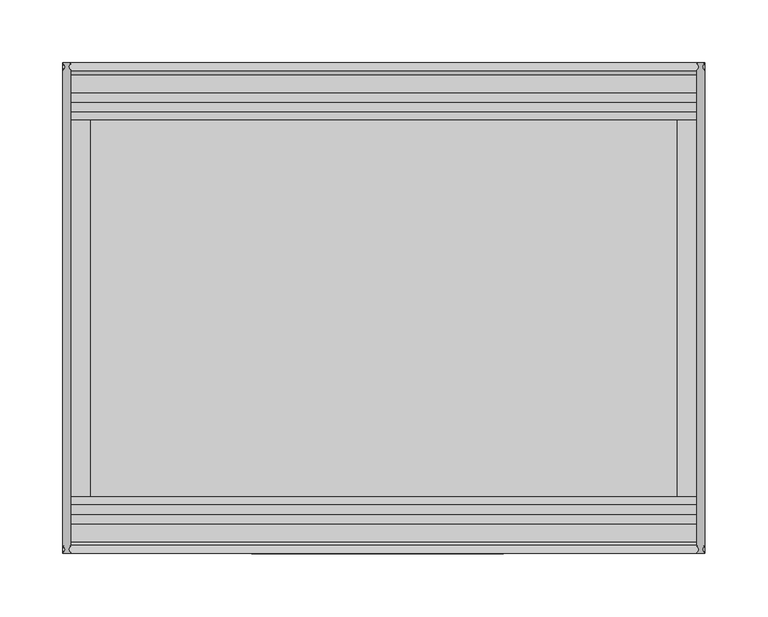
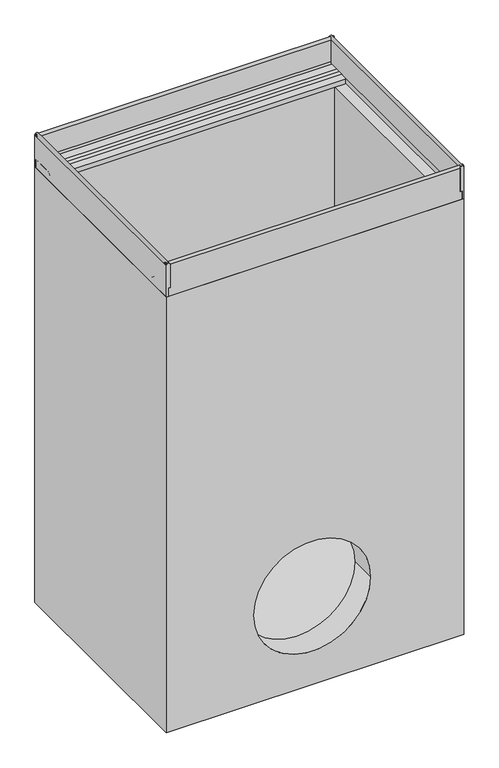
"""IFC4 building model written with IfcOpenShell, lengths in millimetres: proxy geometry."""

from ifc_helpers import new_model, si_unit, point, frame, frame_2d, origin, place, context, project, spatial, polyline, circle_curve, trimmed, segment, composite_curve, outline, extrude, source, transform, mapped, element, save
from ifc_brep_helpers import plane_surface, cylinder_surface, revolved_surface, advanced_brep


def generic_models_54b018aa(model_context):
    return source(origin(), model_context, "Body", "SolidModel", [
        extrude(outline(composite_curve([segment(trimmed(circle_curve(frame_2d((-3.1897376, 506.8102624)), 3.1897376), [point((-3.1897376, 510.0))], [point((-3.1897376, 503.6205248))], False, "CARTESIAN"), True, "CONTINUOUS"), segment(polyline([(-3.1897376, 503.6205248), (-45.4121775, 503.6205248), (-45.4121775, 506.9621547), (-60.0409124, 506.9621547), (-60.0409124, 510.0), (-3.1897376, 510.0)]), True, "CONTINUOUS")], self_intersect=False)), frame((0.0, -195.0, 0.0), z_axis=(0.0, 1.0, 0.0), x_axis=(0.0, 0.0, 1.0)), (0.0, 0.0, 1.0), 390.0),
        extrude(outline(composite_curve([segment(polyline([(-3.1897376, 0.0), (-60.0409124, 0.0), (-60.0409124, 3.0378453), (-45.4121775, 3.0378453), (-45.4121775, 6.3794752), (-3.1897376, 6.3794752)]), True, "CONTINUOUS"), segment(trimmed(circle_curve(frame_2d((-3.1897376, 3.1897376)), 3.1897376), [point((-3.1897376, 6.3794752))], [point((-3.1897376, 0.0))], False, "CARTESIAN"), True, "CONTINUOUS")], self_intersect=False)), frame((0.0, -195.0, 0.0), z_axis=(0.0, 1.0, 0.0), x_axis=(0.0, 0.0, 1.0)), (0.0, 0.0, 1.0), 390.0),
        advanced_brep(
        [(510.0, -195.0, -3.1897376), (510.0, -195.0, -60.0409124), (510.0, -191.9621547, -60.0409124), (510.0, -191.9621547, -45.4121775), (510.0, -190.5838153, -45.4121775), (510.0, -185.5826794, -48.0378453), (510.0, -156.0756907, -48.0378453), (510.0, -152.9900031, -51.1235329), (510.0, -152.9900031, -60.011934), (510.0, -150.0, -60.011934), (510.0, -150.0, -51.0756907), (510.0, -156.0756907, -45.0), (510.0, -163.8620852, -45.0), (510.0, -171.4566985, -45.0), (510.0, -185.5826794, -45.0), (510.0, -188.6205248, -41.9621547), (510.0, -188.6205248, -3.1897376), (0.0, -195.0, -3.1897376), (0.0, -188.6205248, -3.1897376), (0.0, -188.6205248, -41.9621547), (0.0, -185.5826794, -45.0), (0.0, -171.4566985, -45.0), (0.0, -163.8620852, -45.0), (0.0, -156.0756907, -45.0), (0.0, -150.0, -51.0756907), (0.0, -150.0, -60.011934), (0.0, -152.9900031, -60.011934), (0.0, -152.9900031, -51.1235329), (0.0, -156.0756907, -48.0378453), (0.0, -185.5826794, -48.0378453), (0.0, -190.5838153, -45.4121775), (0.0, -191.9621547, -45.4121775), (0.0, -191.9621547, -60.0409124), (0.0, -195.0, -60.0409124), (22.0, -150.0, -60.011934), (488.0, -150.0, -60.011934), (22.0, -150.0, -51.0756907), (488.0, -150.0, -51.0756907)],
        [
            (0, 1),
            (1, 2),
            (2, 3),
            (3, 4),
            (4, 5, circle_curve(frame((510.0, -185.5826794, -41.9621547), z_axis=(1.0, 0.0, 0.0), x_axis=(0.0, 1.0, 0.0)), 6.0756907)),
            (5, 6),
            (6, 7, circle_curve(frame((510.0, -156.0756907, -51.1235329), z_axis=(-1.0, 0.0, 0.0), x_axis=(0.0, 1.0, 0.0)), 3.0856876)),
            (7, 8),
            (8, 9),
            (9, 10),
            (10, 11, circle_curve(frame((510.0, -156.0756907, -51.0756907), z_axis=(1.0, 0.0, 0.0), x_axis=(0.0, 1.0, 0.0)), 6.0756907)),
            (11, 12),
            (12, 13),
            (13, 14),
            (14, 15, circle_curve(frame((510.0, -185.5826794, -41.9621547), z_axis=(-1.0, 0.0, 0.0), x_axis=(0.0, 1.0, 0.0)), 3.0378453)),
            (15, 16),
            (16, 0, circle_curve(frame((510.0, -191.8102624, -3.1897376), z_axis=(1.0, 0.0, 0.0), x_axis=(0.0, 1.0, 0.0)), 3.1897376)),
            (17, 18, circle_curve(frame((0.0, -191.8102624, -3.1897376), z_axis=(-1.0, 0.0, 0.0), x_axis=(0.0, 1.0, 0.0)), 3.1897376)),
            (18, 19),
            (19, 20, circle_curve(frame((0.0, -185.5826794, -41.9621547), z_axis=(1.0, 0.0, 0.0), x_axis=(0.0, 1.0, 0.0)), 3.0378453)),
            (20, 21),
            (21, 22),
            (22, 23),
            (23, 24, circle_curve(frame((0.0, -156.0756907, -51.0756907), z_axis=(-1.0, 0.0, 0.0), x_axis=(0.0, 1.0, 0.0)), 6.0756907)),
            (24, 25),
            (25, 26),
            (26, 27),
            (27, 28, circle_curve(frame((0.0, -156.0756907, -51.1235329), z_axis=(1.0, 0.0, 0.0), x_axis=(0.0, 1.0, 0.0)), 3.0856876)),
            (28, 29),
            (29, 30, circle_curve(frame((0.0, -185.5826794, -41.9621547), z_axis=(-1.0, 0.0, 0.0), x_axis=(0.0, 1.0, 0.0)), 6.0756907)),
            (30, 31),
            (31, 32),
            (32, 33),
            (33, 17),
            (0, 17),
            (33, 1),
            (32, 2),
            (31, 3),
            (30, 4),
            (29, 5),
            (28, 6),
            (27, 7),
            (26, 8),
            (25, 34),
            (34, 35),
            (35, 9),
            (24, 36),
            (36, 37),
            (37, 10),
            (23, 11),
            (22, 12),
            (21, 13),
            (20, 14),
            (19, 15),
            (18, 16),
        ],
        [
            plane_surface(frame((510.0, -195.0, -39.8640909), z_axis=(1.0, 0.0, 0.0), x_axis=(0.0, 0.0, -1.0))),
            plane_surface(frame((0.0, -195.0, -39.8640909), z_axis=(-1.0, 0.0, 0.0), x_axis=(0.0, 0.0, 1.0))),
            plane_surface(frame((510.0, -195.0, -3.1897376), z_axis=(0.0, -1.0, 0.0), x_axis=(-1.0, 0.0, 0.0))),
            plane_surface(frame((510.0, -195.0, -60.0409124), z_axis=(0.0, 0.0, -1.0), x_axis=(-1.0, 0.0, 0.0))),
            plane_surface(frame((510.0, -191.9621547, -60.0409124), z_axis=(0.0, 1.0, 0.0), x_axis=(-1.0, 0.0, 0.0))),
            plane_surface(frame((510.0, -191.9621547, -45.4121775), z_axis=(0.0, 0.0, -1.0), x_axis=(-1.0, 0.0, 0.0))),
            cylinder_surface(frame((0.0, -185.5826794, -41.9621547), z_axis=(1.0, 0.0, 0.0), x_axis=(0.0, 1.0, 0.0)), 6.0756907),
            plane_surface(frame((510.0, -185.5826794, -48.0378453), z_axis=(0.0, 0.0, -1.0), x_axis=(-1.0, 0.0, 0.0))),
            revolved_surface(polyline([(0.0, -152.9900031, -51.1235329), (510.0, -152.9900031, -51.1235329)]), (0.0, -156.0756907, -51.1235329), (-1.0, 0.0, 0.0)),
            plane_surface(frame((510.0, -152.9900031, -51.1235329), z_axis=(0.0, -1.0, 0.0), x_axis=(-1.0, 0.0, 0.0))),
            plane_surface(frame((510.0, -152.9900031, -60.011934), z_axis=(0.0, 0.0, -1.0), x_axis=(-1.0, 0.0, 0.0))),
            plane_surface(frame((510.0, -150.0, -60.011934), z_axis=(0.0, 1.0, 0.0), x_axis=(-1.0, 0.0, 0.0))),
            cylinder_surface(frame((0.0, -156.0756907, -51.0756907), z_axis=(1.0, 0.0, 0.0), x_axis=(0.0, 1.0, 0.0)), 6.0756907),
            plane_surface(frame((510.0, -156.0756907, -45.0), z_axis=(0.0, 0.0, 1.0), x_axis=(-1.0, 0.0, 0.0))),
            plane_surface(frame((510.0, -163.8620852, -45.0), z_axis=(0.0, 0.0, 1.0), x_axis=(-1.0, 0.0, 0.0))),
            plane_surface(frame((510.0, -171.4566985, -45.0), z_axis=(0.0, 0.0, 1.0), x_axis=(-1.0, 0.0, 0.0))),
            revolved_surface(polyline([(0.0, -182.5448341, -41.9621547), (510.0, -182.5448341, -41.9621547)]), (0.0, -185.5826794, -41.9621547), (-1.0, 0.0, 0.0)),
            plane_surface(frame((510.0, -188.6205248, -41.9621547), z_axis=(0.0, 1.0, 0.0), x_axis=(-1.0, 0.0, 0.0))),
            cylinder_surface(frame((0.0, -191.8102624, -3.1897376), z_axis=(1.0, 0.0, 0.0), x_axis=(0.0, 1.0, 0.0)), 3.1897376),
        ],
        [
            (0, [[1, 2, 3, 4, 5, 6, 7, 8, 9, 10, 11, 12, 13, 14, 15, 16, 17]]),
            (1, [[18, 19, 20, 21, 22, 23, 24, 25, 26, 27, 28, 29, 30, 31, 32, 33, 34]]),
            (2, [[-1, 35, -34, 36]]),
            (3, [[-2, -36, -33, 37]]),
            (4, [[-3, -37, -32, 38]]),
            (5, [[-4, -38, -31, 39]]),
            (6, [[-5, -39, -30, 40]]),
            (7, [[-6, -40, -29, 41]]),
            (8, [[-7, -41, -28, 42]]),
            (9, [[-8, -42, -27, 43]]),
            (10, [[-9, -43, -26, 44, 45, 46]]),
            (11, [[-10, -46, -45, -44, -25, 47, 48, 49]]),
            (12, [[-11, -49, -48, -47, -24, 50]]),
            (13, [[-12, -50, -23, 51]]),
            (14, [[-13, -51, -22, 52]]),
            (15, [[-14, -52, -21, 53]]),
            (16, [[-15, -53, -20, 54]]),
            (17, [[-16, -54, -19, 55]]),
            (18, [[-17, -55, -18, -35]]),
        ],
    ),
        advanced_brep(
        [(510.0, 195.0, -3.1897376), (510.0, 188.6205248, -3.1897376), (510.0, 188.6205248, -41.9621547), (510.0, 185.5826794, -45.0), (510.0, 171.4566985, -45.0), (510.0, 163.8620852, -45.0), (510.0, 156.0756907, -45.0), (510.0, 150.0, -51.0756907), (510.0, 150.0, -60.011934), (510.0, 152.9900031, -60.011934), (510.0, 152.9900031, -51.1235329), (510.0, 156.0756907, -48.0378453), (510.0, 185.5826794, -48.0378453), (510.0, 190.5838153, -45.4121775), (510.0, 191.9621547, -45.4121775), (510.0, 191.9621547, -60.0409124), (510.0, 195.0, -60.0409124), (0.0, 195.0, -3.1897376), (0.0, 195.0, -60.0409124), (0.0, 191.9621547, -60.0409124), (0.0, 191.9621547, -45.4121775), (0.0, 190.5838153, -45.4121775), (0.0, 185.5826794, -48.0378453), (0.0, 156.0756907, -48.0378453), (0.0, 152.9900031, -51.1235329), (0.0, 152.9900031, -60.011934), (0.0, 150.0, -60.011934), (0.0, 150.0, -51.0756907), (0.0, 156.0756907, -45.0), (0.0, 163.8620852, -45.0), (0.0, 171.4566985, -45.0), (0.0, 185.5826794, -45.0), (0.0, 188.6205248, -41.9621547), (0.0, 188.6205248, -3.1897376), (22.0, 150.0, -51.0756907), (488.0, 150.0, -51.0756907), (22.0, 150.0, -60.011934), (488.0, 150.0, -60.011934)],
        [
            (0, 1, circle_curve(frame((510.0, 191.8102624, -3.1897376), z_axis=(1.0, 0.0, 0.0), x_axis=(0.0, 1.0, 0.0)), 3.1897376)),
            (1, 2),
            (2, 3, circle_curve(frame((510.0, 185.5826794, -41.9621547), z_axis=(-1.0, 0.0, 0.0), x_axis=(0.0, 1.0, 0.0)), 3.0378453)),
            (3, 4),
            (4, 5),
            (5, 6),
            (6, 7, circle_curve(frame((510.0, 156.0756907, -51.0756907), z_axis=(1.0, 0.0, 0.0), x_axis=(0.0, 1.0, 0.0)), 6.0756907)),
            (7, 8),
            (8, 9),
            (9, 10),
            (10, 11, circle_curve(frame((510.0, 156.0756907, -51.1235329), z_axis=(-1.0, 0.0, 0.0), x_axis=(0.0, 1.0, 0.0)), 3.0856876)),
            (11, 12),
            (12, 13, circle_curve(frame((510.0, 185.5826794, -41.9621547), z_axis=(1.0, 0.0, 0.0), x_axis=(0.0, 1.0, 0.0)), 6.0756907)),
            (13, 14),
            (14, 15),
            (15, 16),
            (16, 0),
            (17, 18),
            (18, 19),
            (19, 20),
            (20, 21),
            (21, 22, circle_curve(frame((0.0, 185.5826794, -41.9621547), z_axis=(-1.0, 0.0, 0.0), x_axis=(0.0, 1.0, 0.0)), 6.0756907)),
            (22, 23),
            (23, 24, circle_curve(frame((0.0, 156.0756907, -51.1235329), z_axis=(1.0, 0.0, 0.0), x_axis=(0.0, 1.0, 0.0)), 3.0856876)),
            (24, 25),
            (25, 26),
            (26, 27),
            (27, 28, circle_curve(frame((0.0, 156.0756907, -51.0756907), z_axis=(-1.0, 0.0, 0.0), x_axis=(0.0, 1.0, 0.0)), 6.0756907)),
            (28, 29),
            (29, 30),
            (30, 31),
            (31, 32, circle_curve(frame((0.0, 185.5826794, -41.9621547), z_axis=(1.0, 0.0, 0.0), x_axis=(0.0, 1.0, 0.0)), 3.0378453)),
            (32, 33),
            (33, 17, circle_curve(frame((0.0, 191.8102624, -3.1897376), z_axis=(-1.0, 0.0, 0.0), x_axis=(0.0, 1.0, 0.0)), 3.1897376)),
            (0, 17),
            (33, 1),
            (32, 2),
            (31, 3),
            (30, 4),
            (29, 5),
            (28, 6),
            (27, 34),
            (34, 35),
            (35, 7),
            (26, 36),
            (36, 37),
            (37, 8),
            (25, 9),
            (24, 10),
            (23, 11),
            (22, 12),
            (21, 13),
            (20, 14),
            (19, 15),
            (18, 16),
        ],
        [
            plane_surface(frame((510.0, -195.0, -39.8640909), z_axis=(1.0, 0.0, 0.0), x_axis=(0.0, 0.0, -1.0))),
            plane_surface(frame((0.0, -195.0, -39.8640909), z_axis=(-1.0, 0.0, 0.0), x_axis=(0.0, 0.0, 1.0))),
            cylinder_surface(frame((0.0, 191.8102624, -3.1897376), z_axis=(1.0, 0.0, 0.0), x_axis=(0.0, 1.0, 0.0)), 3.1897376),
            plane_surface(frame((510.0, 188.6205248, -3.1897376), z_axis=(0.0, -1.0, 0.0), x_axis=(-1.0, 0.0, 0.0))),
            revolved_surface(polyline([(0.0, 188.62052469999998, -41.9621547), (510.0, 188.62052469999998, -41.9621547)]), (0.0, 185.5826794, -41.9621547), (-1.0, 0.0, 0.0)),
            plane_surface(frame((510.0, 185.5826794, -45.0), z_axis=(0.0, 0.0, 1.0), x_axis=(-1.0, 0.0, 0.0))),
            plane_surface(frame((510.0, 171.4566985, -45.0), z_axis=(0.0, 0.0, 1.0), x_axis=(-1.0, 0.0, 0.0))),
            plane_surface(frame((510.0, 163.8620852, -45.0), z_axis=(0.0, 0.0, 1.0), x_axis=(-1.0, 0.0, 0.0))),
            cylinder_surface(frame((0.0, 156.0756907, -51.0756907), z_axis=(1.0, 0.0, 0.0), x_axis=(0.0, 1.0, 0.0)), 6.0756907),
            plane_surface(frame((510.0, 150.0, -51.0756907), z_axis=(0.0, -1.0, 0.0), x_axis=(-1.0, 0.0, 0.0))),
            plane_surface(frame((510.0, 150.0, -60.011934), z_axis=(0.0, 0.0, -1.0), x_axis=(-1.0, 0.0, 0.0))),
            plane_surface(frame((510.0, 152.9900031, -60.011934), z_axis=(0.0, 1.0, 0.0), x_axis=(-1.0, 0.0, 0.0))),
            revolved_surface(polyline([(0.0, 159.1613783, -51.1235329), (510.0, 159.1613783, -51.1235329)]), (0.0, 156.0756907, -51.1235329), (-1.0, 0.0, 0.0)),
            plane_surface(frame((510.0, 156.0756907, -48.0378453), z_axis=(0.0, 0.0, -1.0), x_axis=(-1.0, 0.0, 0.0))),
            cylinder_surface(frame((0.0, 185.5826794, -41.9621547), z_axis=(1.0, 0.0, 0.0), x_axis=(0.0, 1.0, 0.0)), 6.0756907),
            plane_surface(frame((510.0, 190.5838153, -45.4121775), z_axis=(0.0, 0.0, -1.0), x_axis=(-1.0, 0.0, 0.0))),
            plane_surface(frame((510.0, 191.9621547, -45.4121775), z_axis=(0.0, -1.0, 0.0), x_axis=(-1.0, 0.0, 0.0))),
            plane_surface(frame((510.0, 191.9621547, -60.0409124), z_axis=(0.0, 0.0, -1.0), x_axis=(-1.0, 0.0, 0.0))),
            plane_surface(frame((510.0, 195.0, -60.0409124), z_axis=(0.0, 1.0, 0.0), x_axis=(-1.0, 0.0, 0.0))),
        ],
        [
            (0, [[1, 2, 3, 4, 5, 6, 7, 8, 9, 10, 11, 12, 13, 14, 15, 16, 17]]),
            (1, [[18, 19, 20, 21, 22, 23, 24, 25, 26, 27, 28, 29, 30, 31, 32, 33, 34]]),
            (2, [[-1, 35, -34, 36]]),
            (3, [[-2, -36, -33, 37]]),
            (4, [[-3, -37, -32, 38]]),
            (5, [[-4, -38, -31, 39]]),
            (6, [[-5, -39, -30, 40]]),
            (7, [[-6, -40, -29, 41]]),
            (8, [[-7, -41, -28, 42, 43, 44]]),
            (9, [[-8, -44, -43, -42, -27, 45, 46, 47]]),
            (10, [[-9, -47, -46, -45, -26, 48]]),
            (11, [[-10, -48, -25, 49]]),
            (12, [[-11, -49, -24, 50]]),
            (13, [[-12, -50, -23, 51]]),
            (14, [[-13, -51, -22, 52]]),
            (15, [[-14, -52, -21, 53]]),
            (16, [[-15, -53, -20, 54]]),
            (17, [[-16, -54, -19, 55]]),
            (18, [[-17, -55, -18, -35]]),
        ],
    ),
        advanced_brep(
        [(510.0, 195.0, -850.0409124), (510.0, 195.0, -60.011934), (510.0, -195.0, -60.011934), (510.0, -195.0, -850.0409124), (0.0, 195.0, -850.0409124), (0.0, -195.0, -850.0409124), (0.0, -195.0, -60.011934), (0.0, 195.0, -60.011934), (350.0, -195.0, -690.0), (150.0, -195.0, -690.0), (350.0, -150.0, -690.0), (150.0, -150.0, -690.0), (488.0, 150.0, -60.011934), (488.0, -150.0, -60.011934), (22.0, -150.0, -60.011934), (22.0, 150.0, -60.011934), (488.0, 150.0, -820.0), (488.0, -150.0, -820.0), (22.0, -150.0, -820.0), (22.0, 150.0, -820.0)],
        [
            (0, 1),
            (1, 2),
            (2, 3),
            (3, 0),
            (4, 5),
            (5, 6),
            (6, 7),
            (7, 4),
            (0, 4),
            (7, 1),
            (2, 6),
            (5, 3),
            (8, 9, circle_curve(frame((250.0, -195.0, -690.0), z_axis=(0.0, 1.0, 0.0), x_axis=(1.0, 0.0, 0.0)), 100.0)),
            (9, 8, circle_curve(frame((250.0, -195.0, -690.0), z_axis=(0.0, 1.0, 0.0), x_axis=(1.0, 0.0, 0.0)), 100.0)),
            (8, 10),
            (10, 11, circle_curve(frame((250.0, -150.0, -690.0), z_axis=(0.0, 1.0, 0.0), x_axis=(1.0, 0.0, 0.0)), 100.0)),
            (11, 9),
            (11, 10, circle_curve(frame((250.0, -150.0, -690.0), z_axis=(0.0, 1.0, 0.0), x_axis=(1.0, 0.0, 0.0)), 100.0)),
            (12, 13),
            (13, 14),
            (14, 15),
            (15, 12),
            (16, 17),
            (17, 13),
            (12, 16),
            (18, 19),
            (19, 15),
            (14, 18),
            (17, 18),
            (16, 19),
        ],
        [
            plane_surface(frame((510.0, 195.0, -31.1821489), z_axis=(1.0, 0.0, 0.0), x_axis=(0.0, 0.0, 1.0))),
            plane_surface(frame((0.0, 195.0, -31.1821489), z_axis=(-1.0, 0.0, 0.0), x_axis=(0.0, 0.0, -1.0))),
            plane_surface(frame((510.0, 195.0, -850.0409124), z_axis=(0.0, 1.0, 0.0), x_axis=(-1.0, 0.0, 0.0))),
            plane_surface(frame((510.0, -195.0, -60.011934), z_axis=(0.0, -1.0, 0.0), x_axis=(-1.0, 0.0, 0.0))),
            revolved_surface(polyline([(350.0, -195.0, -690.0), (350.0, -150.0, -690.0)]), (250.0, 0.0, -690.0), (0.0, -1.0, 0.0)),
            plane_surface(frame((510.0, 195.0, -60.011934), z_axis=(0.0, 0.0, 1.0), x_axis=(-1.0, 0.0, 0.0))),
            plane_surface(frame((488.0, -150.0, -25.011934), z_axis=(-1.0, 0.0, 0.0), x_axis=(0.0, 0.0, -1.0))),
            plane_surface(frame((22.0, -150.0, -25.011934), z_axis=(1.0, 0.0, 0.0), x_axis=(0.0, 0.0, 1.0))),
            plane_surface(frame((488.0, -150.0, -25.011934), z_axis=(0.0, 1.0, 0.0), x_axis=(-1.0, 0.0, 0.0))),
            plane_surface(frame((488.0, -150.0, -820.0), z_axis=(0.0, 0.0, 1.0), x_axis=(-1.0, 0.0, 0.0))),
            plane_surface(frame((488.0, 150.0, -820.0), z_axis=(0.0, -1.0, 0.0), x_axis=(-1.0, 0.0, 0.0))),
            plane_surface(frame((510.0, -195.0, -850.0409124), z_axis=(0.0, 0.0, -1.0), x_axis=(-1.0, 0.0, 0.0))),
        ],
        [
            (0, [[1, 2, 3, 4]]),
            (1, [[5, 6, 7, 8]]),
            (2, [[-1, 9, -8, 10]]),
            (3, [[-3, 11, -6, 12], [13, 14]]),
            (4, [[-13, 15, 16, 17]]),
            (4, [[-14, -17, 18, -15]]),
            (5, [[-2, -10, -7, -11], [19, 20, 21, 22]]),
            (6, [[23, 24, -19, 25]]),
            (7, [[26, 27, -21, 28]]),
            (8, [[29, -28, -20, -24], [-16, -18]]),
            (9, [[-23, 30, -26, -29]]),
            (10, [[-30, -25, -22, -27]]),
            (11, [[-4, -12, -5, -9]]),
        ],
    ),
    ])


if __name__ == "__main__":
    model = new_model("IFC4")
    model_context = context("Model", 3, world=origin())
    ifc_project = project(units=[si_unit("LENGTHUNIT", "METRE", prefix="MILLI")], contexts=[model_context])
    site = spatial("IfcSite", under=ifc_project)
    building = spatial("IfcBuilding", under=site)
    placement = place(None, origin())
    generic_models_shape = generic_models_54b018aa(model_context)
    element("IfcBuildingElementProxy", 1, Name="Generic Models", at=placement, inside=building, context=model_context, shape_type="MappedRepresentation", body=[
        mapped(generic_models_shape, transform((0.0, 0.0, 0.0), x_axis=(1.0, 0.0, 0.0), y_axis=(0.0, 1.0, 0.0), z_axis=(0.0, 0.0, 1.0))),
    ])
    save(model, "model.ifc")
